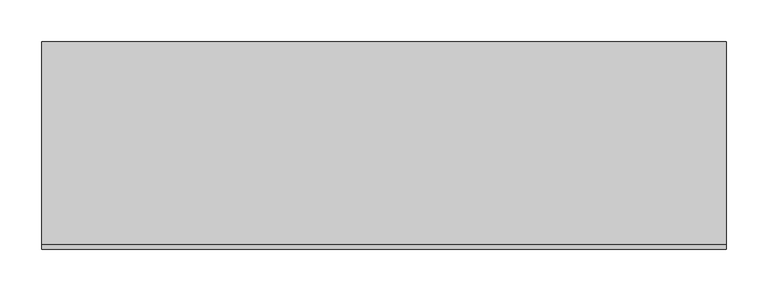
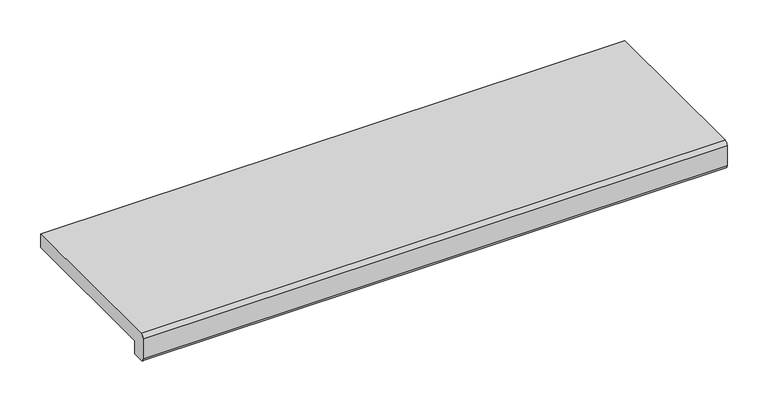
"""IFC4 building model written with IfcOpenShell, lengths in millimetres: proxy geometry."""

import ifcopenshell
import ifcopenshell.guid

model = None  # the IFC model being written
_history = None  # IfcOwnerHistory: only IFC2X3 demands one
_inside = {}  # id of a spatial element -> (the spatial element, [elements in it])
_under = {}  # id of a project, library or spatial element -> (it, [spatial elements below it])
_declared = {}  # id of a project -> (the project, [libraries it declares])
_typed = {}  # id of a type object -> (the type object, [elements of that type])
_made_of = {}  # id of a material, layer set ... -> (it, [elements and type objects made of it])


def new_model(schema):
    """Start an empty IFC model of exactly this schema.

    Asked for "IFC4X3", IfcOpenShell would pick the latest addendum, in which some entities
    have other attributes; the version numbers below select the first issue.
    IFC2X3 requires an IfcOwnerHistory on every rooted entity: one is made here for all.
    """
    global model, _history
    if schema == "IFC4X3":
        model = ifcopenshell.file(schema_version=(4, 3, 0, 0))
    else:
        model = ifcopenshell.file(schema=schema)
    _inside.clear()
    _under.clear()
    _declared.clear()
    _typed.clear()
    _made_of.clear()
    _history = None
    if model.schema == "IFC2X3":
        org = make("IfcOrganization", Name="unknown")
        user = make(
            "IfcPersonAndOrganization",
            ThePerson=make("IfcPerson", FamilyName="unknown"),
            TheOrganization=org,
        )
        app = make(
            "IfcApplication",
            ApplicationDeveloper=org,
            Version="unknown",
            ApplicationFullName="unknown",
            ApplicationIdentifier="unknown",
        )
        _history = make(
            "IfcOwnerHistory",
            OwningUser=user,
            OwningApplication=app,
            ChangeAction="ADDED",
            CreationDate=0,
        )
    return model


def make(cls, **values):
    """One entity of the class cls with the attributes given. An attribute that is None is left unset."""
    return model.create_entity(
        cls, **{name: value for name, value in values.items() if value is not None}
    )


def rooted(cls, **values):
    """An entity with a GlobalId (a new one), such as an element, a storey or a relation."""
    return make(cls, GlobalId=ifcopenshell.guid.new(), OwnerHistory=_history, **values)


def si_unit(unit_type, name, prefix=None):
    """IfcSIUnit, for example si_unit("LENGTHUNIT", "METRE", prefix="MILLI")."""
    return make("IfcSIUnit", UnitType=unit_type, Prefix=prefix, Name=name)


def assignment(units):
    """IfcUnitAssignment: the units of a project."""
    return None if units is None else make("IfcUnitAssignment", Units=units)


def point(xyz):
    """IfcCartesianPoint."""
    return None if xyz is None else make("IfcCartesianPoint", Coordinates=xyz)


def direction(xyz):
    """IfcDirection."""
    return None if xyz is None else make("IfcDirection", DirectionRatios=xyz)


def frame(location, z_axis=None, x_axis=None):
    """IfcAxis2Placement3D, a coordinate frame: its origin and axes. An axis left out is left unset."""
    return make(
        "IfcAxis2Placement3D",
        Location=point(location),
        Axis=direction(z_axis),
        RefDirection=direction(x_axis),
    )


def frame_2d(location, x_axis=None):
    """IfcAxis2Placement2D, a coordinate frame in the plane: its origin and x axis."""
    return make(
        "IfcAxis2Placement2D", Location=point(location), RefDirection=direction(x_axis)
    )


def origin():
    """The frame at (0, 0, 0) with its axes left unset."""
    return frame((0.0, 0.0, 0.0))


def place(relative_to, where):
    """IfcLocalPlacement: puts the frame where relative to a parent placement (None: the world)."""
    return make(
        "IfcLocalPlacement", PlacementRelTo=relative_to, RelativePlacement=where
    )


def context(
    kind, dimensions, precision=None, world=None, true_north=None, identifier=None
):
    """IfcGeometricRepresentationContext, for example the 3D "Model" context."""
    return make(
        "IfcGeometricRepresentationContext",
        ContextIdentifier=identifier,
        ContextType=kind,
        CoordinateSpaceDimension=dimensions,
        Precision=precision,
        WorldCoordinateSystem=world,
        TrueNorth=true_north,
    )


def project(units=None, contexts=None):
    """IfcProject with its units and contexts."""
    return rooted(
        "IfcProject",
        Name="project",
        RepresentationContexts=contexts,
        UnitsInContext=assignment(units),
    )


def spatial(cls, under=None, at=None, **own):
    """A site, building, storey or space (cls), placed at a placement, below another one or the project."""
    s = rooted(cls, ObjectPlacement=at, **own)
    if under is not None:
        _under.setdefault(under.id(), (under, []))[1].append(s)
    return s


def polyline(points):
    """IfcPolyline through the points."""
    return make("IfcPolyline", Points=[point(p) for p in points])


def circle_curve(where, radius):
    """IfcCircle in the frame where."""
    return make("IfcCircle", Position=where, Radius=radius)


def trimmed(basis, trim1, trim2, sense, master):
    """IfcTrimmedCurve: the piece of a basis curve between two trims."""
    return make(
        "IfcTrimmedCurve",
        BasisCurve=basis,
        Trim1=trim1,
        Trim2=trim2,
        SenseAgreement=sense,
        MasterRepresentation=master,
    )


def segment(curve, same_sense, transition):
    """IfcCompositeCurveSegment."""
    return make(
        "IfcCompositeCurveSegment",
        Transition=transition,
        SameSense=same_sense,
        ParentCurve=curve,
    )


def composite_curve(segments, self_intersect=None):
    """IfcCompositeCurve: segments joined end to end."""
    return make("IfcCompositeCurve", Segments=segments, SelfIntersect=self_intersect)


def outline(outer, holes=None, kind="AREA"):
    """IfcArbitraryClosedProfileDef: a profile drawn as a closed curve; with holes, ...WithVoids."""
    if holes is None:
        return make("IfcArbitraryClosedProfileDef", ProfileType=kind, OuterCurve=outer)
    return make(
        "IfcArbitraryProfileDefWithVoids",
        ProfileType=kind,
        OuterCurve=outer,
        InnerCurves=holes,
    )


def extrude(swept, where, along, depth):
    """IfcExtrudedAreaSolid: the profile swept, set in the frame where, extruded along a direction by depth."""
    return make(
        "IfcExtrudedAreaSolid",
        SweptArea=swept,
        Position=where,
        ExtrudedDirection=direction(along),
        Depth=depth,
    )


def shape(context_of_items, identifier, shape_type, items):
    """IfcShapeRepresentation: the items that make up one representation, for example the "Body"."""
    return make(
        "IfcShapeRepresentation",
        ContextOfItems=context_of_items,
        RepresentationIdentifier=identifier,
        RepresentationType=shape_type,
        Items=items,
    )


def source(mapping_origin, context_of_items, identifier, shape_type, items):
    """IfcRepresentationMap: a shape defined once, which mapped items show again and again."""
    return make(
        "IfcRepresentationMap",
        MappingOrigin=mapping_origin,
        MappedRepresentation=shape(context_of_items, identifier, shape_type, items),
    )


def transform(
    local_origin,
    x_axis=None,
    y_axis=None,
    z_axis=None,
    scale=None,
    scale2=None,
    scale3=None,
    uniform=True,
):
    """IfcCartesianTransformationOperator3D, or its non-uniform kind. x_axis, y_axis, z_axis: its Axis1, 2, 3."""
    if uniform:
        return make(
            "IfcCartesianTransformationOperator3D",
            Axis1=direction(x_axis),
            Axis2=direction(y_axis),
            LocalOrigin=point(local_origin),
            Scale=scale,
            Axis3=direction(z_axis),
        )
    return make(
        "IfcCartesianTransformationOperator3DnonUniform",
        Axis1=direction(x_axis),
        Axis2=direction(y_axis),
        LocalOrigin=point(local_origin),
        Scale=scale,
        Axis3=direction(z_axis),
        Scale2=scale2,
        Scale3=scale3,
    )


def mapped(mapping_source, mapping_target):
    """IfcMappedItem: shows the shape of a source again, moved by a transform."""
    return make(
        "IfcMappedItem", MappingSource=mapping_source, MappingTarget=mapping_target
    )


def made_of(thing, what):
    """Note that an element or type object is made of a material, layer set ...; save() writes the relation."""
    if what is not None:
        _made_of.setdefault(what.id(), (what, []))[1].append(thing)
    return thing


def element(
    cls,
    number,
    at=None,
    inside=None,
    cuts=None,
    type_object=None,
    material=None,
    context=None,
    identifier="Body",
    shape_type=None,
    held_by="IfcProductDefinitionShape",
    body=None,
    shapes=None,
    **own,
):
    """One element of the class cls, such as IfcWall. Its Tag is "e" and its number.

    at: its placement. inside: the storey or other place that contains it. cuts: it is an
    opening in that element (IfcRelVoidsElement). A single representation is given by context,
    identifier, shape_type and body (its items); several are given by shapes. held_by: the class
    of the entity that holds the representations. save() writes the other relations.
    """
    e = rooted(cls, Tag="e%d" % number, ObjectPlacement=at, **own)
    if body is not None:
        shapes = [shape(context, identifier, shape_type, body)]
    if shapes is not None:
        e.Representation = make(held_by, Representations=shapes)
    if inside is not None:
        _inside.setdefault(inside.id(), (inside, []))[1].append(e)
    if cuts is not None:
        rooted(
            "IfcRelVoidsElement", RelatingBuildingElement=cuts, RelatedOpeningElement=e
        )
    if type_object is not None:
        _typed.setdefault(type_object.id(), (type_object, []))[1].append(e)
    return made_of(e, material)


def aggregate(whole, parts):
    """IfcRelAggregates: a whole, such as a stair, and the parts it consists of."""
    return rooted("IfcRelAggregates", RelatingObject=whole, RelatedObjects=parts)


def save(model, path):
    """Write the relations noted so far, then the file.

    IfcRelAggregates (storeys below a building ...), IfcRelContainedInSpatialStructure (elements
    in a storey), IfcRelDefinesByType, IfcRelAssociatesMaterial and IfcRelDeclares: one each for
    every whole, place, type object, material and project.
    """
    for whole, parts in _under.values():
        aggregate(whole, parts)
    for where, things in _inside.values():
        rooted(
            "IfcRelContainedInSpatialStructure",
            RelatedElements=things,
            RelatingStructure=where,
        )
    for kind, things in _typed.values():
        rooted("IfcRelDefinesByType", RelatedObjects=things, RelatingType=kind)
    for what, things in _made_of.values():
        rooted("IfcRelAssociatesMaterial", RelatedObjects=things, RelatingMaterial=what)
    for by, libraries in _declared.values():
        rooted("IfcRelDeclares", RelatingContext=by, RelatedDefinitions=libraries)
    model.write(path)


def generic_models_59632a7f(model_context):
    return source(origin(), model_context, "Body", "SweptSolid", [
        extrude(outline(composite_curve([segment(polyline([(-245.0, 30.0), (0.0, 30.0), (0.0, 10.0), (-230.0, 10.0), (-230.0, -10.0), (-245.0, -10.0)]), True, "CONTINUOUS"), segment(trimmed(circle_curve(frame_2d((-245.0, -5.0)), 5.0), [point((-245.0, -10.0))], [point((-250.0, -5.0))], False, "CARTESIAN"), True, "CONTINUOUS"), segment(polyline([(-250.0, -5.0), (-250.0, 25.0)]), True, "CONTINUOUS"), segment(trimmed(circle_curve(frame_2d((-245.0, 25.0)), 5.0), [point((-250.0, 25.0))], [point((-245.0, 30.0))], False, "CARTESIAN"), True, "CONTINUOUS")], self_intersect=False)), frame((-412.5, 0.0, 0.0), z_axis=(1.0, 0.0, 0.0), x_axis=(0.0, 1.0, 0.0)), (0.0, 0.0, 1.0), 825.0),
    ])


if __name__ == "__main__":
    model = new_model("IFC4")
    model_context = context("Model", 3, world=origin())
    ifc_project = project(units=[si_unit("LENGTHUNIT", "METRE", prefix="MILLI")], contexts=[model_context])
    site = spatial("IfcSite", under=ifc_project)
    building = spatial("IfcBuilding", under=site)
    placement = place(None, origin())
    generic_models_shape = generic_models_59632a7f(model_context)
    element("IfcBuildingElementProxy", 1, Name="Generic Models", at=placement, inside=building, context=model_context, shape_type="MappedRepresentation", body=[
        mapped(generic_models_shape, transform((0.0, 0.0, 0.0), x_axis=(1.0, 0.0, 0.0), y_axis=(0.0, 1.0, 0.0), z_axis=(0.0, 0.0, 1.0))),
    ])
    save(model, "model.ifc")
